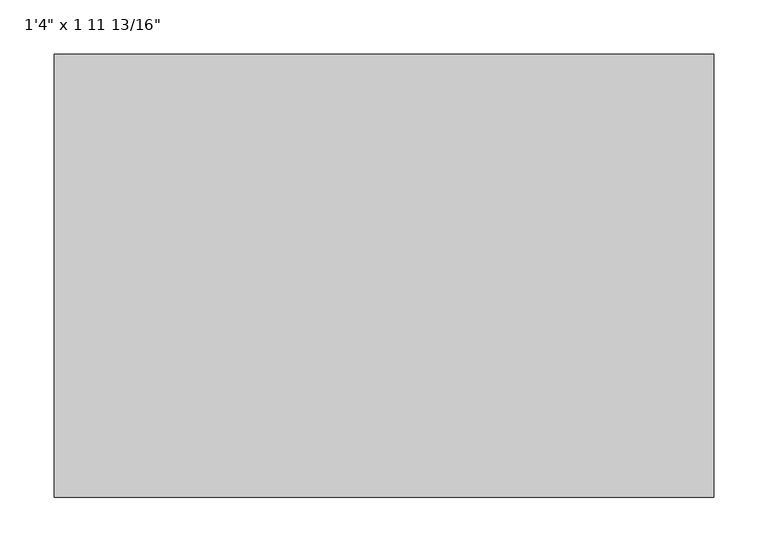
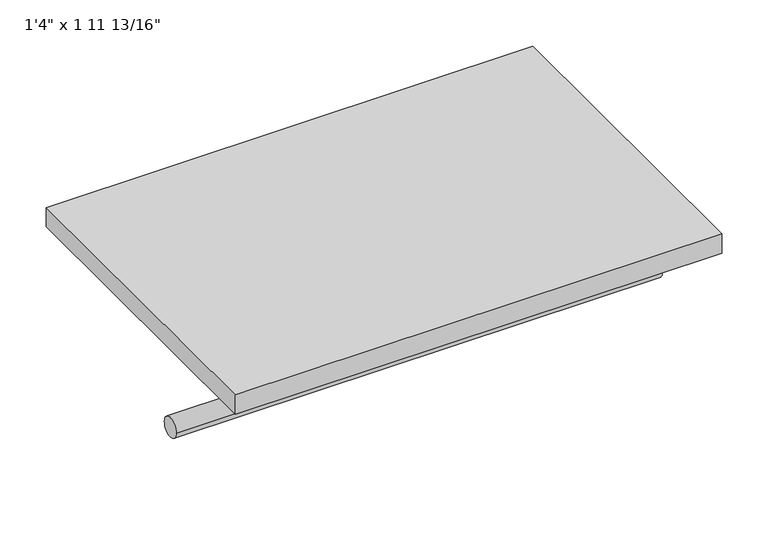
"""IFC4 building model written with IfcOpenShell, lengths in millimetres: furniture geometry."""

from ifc_helpers import new_model, si_unit, point, frame, frame_2d, origin, origin_with_axes, place, context, project, spatial, polyline, circle_curve, trimmed, segment, composite_curve, outline, extrude, source, transform, mapped, element, save


def furniture_fa5c5eb9(model_context):
    return source(origin(), model_context, "Body", "SweptSolid", [
        extrude(outline(composite_curve([segment(trimmed(circle_curve(frame_2d((342.9, -101.6)), 12.7), [point((330.2, -101.6))], [point((355.6, -101.6))], False, "CARTESIAN"), True, "CONTINUOUS"), segment(trimmed(circle_curve(frame_2d((342.9, -101.6)), 12.7), [point((355.6, -101.6))], [point((330.2, -101.6))], False, "CARTESIAN"), True, "CONTINUOUS")], self_intersect=False)), frame((-283.6810451, 0.0, 0.0), z_axis=(1.0, 0.0, 0.0), x_axis=(0.0, 1.0, 0.0)), (0.0, 0.0, 1.0), 604.8375),
        extrude(outline(polyline([(321.1564549, 203.2), (-283.6810451, 203.2), (-283.6810451, 609.6), (321.1564549, 609.6), (321.1564549, 203.2)])), origin_with_axes(), (0.0, 0.0, 1.0), 25.4),
    ])


if __name__ == "__main__":
    model = new_model("IFC4")
    model_context = context("Model", 3, world=origin())
    ifc_project = project(units=[si_unit("LENGTHUNIT", "METRE", prefix="MILLI")], contexts=[model_context])
    site = spatial("IfcSite", under=ifc_project)
    building = spatial("IfcBuilding", under=site)
    placement = place(None, origin())
    furniture_shape = furniture_fa5c5eb9(model_context)
    element("IfcFurniture", 1, ObjectType="1'4\" x 1 11 13/16\"", at=placement, inside=building, context=model_context, shape_type="MappedRepresentation", body=[
        mapped(furniture_shape, transform((0.0, 0.0, 0.0), x_axis=(1.0, 0.0, 0.0), y_axis=(0.0, 1.0, 0.0), z_axis=(0.0, 0.0, 1.0))),
    ])
    save(model, "model.ifc")
